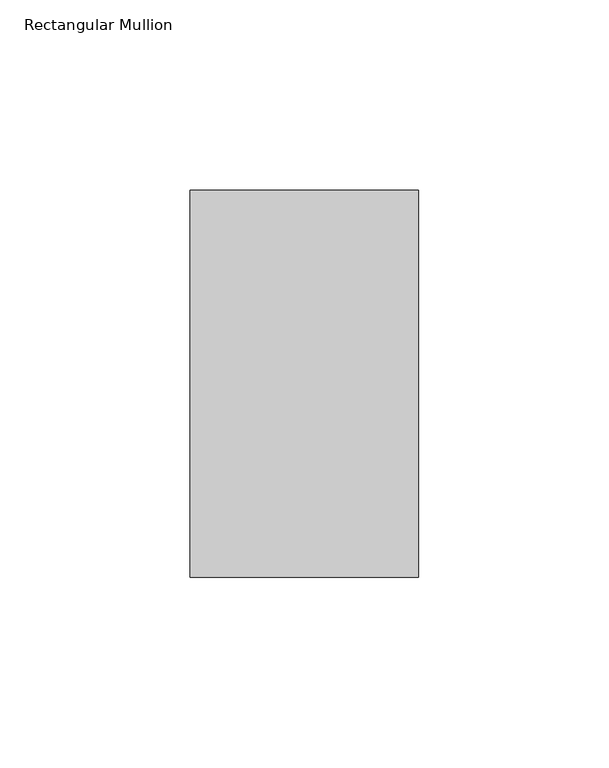
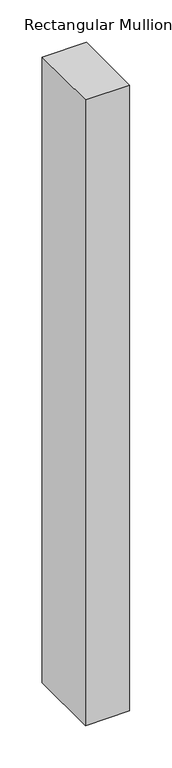
"""IFC4 building model written with IfcOpenShell, lengths in millimetres: member geometry, Rectangular Mullion."""

from ifc_helpers import new_model, si_unit, frame, origin, place, context, project, spatial, polyline, outline, extrude, source, transform, mapped, element, save


def rectangular_mullion_89bd5ef9(model_context):
    return source(origin(), model_context, "Body", "SweptSolid", [
        extrude(outline(polyline([(30.0, 50.8), (30.0, -50.8), (-30.0, -50.8), (-30.0, 50.8), (30.0, 50.8)])), frame((0.0, 0.0, -900.0), z_axis=(0.0, 0.0, 1.0), x_axis=(1.0, 0.0, 0.0)), (0.0, 0.0, 1.0), 900.0),
    ])


if __name__ == "__main__":
    model = new_model("IFC4")
    model_context = context("Model", 3, world=origin())
    ifc_project = project(units=[si_unit("LENGTHUNIT", "METRE", prefix="MILLI")], contexts=[model_context])
    site = spatial("IfcSite", under=ifc_project)
    building = spatial("IfcBuilding", under=site)
    placement = place(None, origin())
    rectangular_mullion_shape = rectangular_mullion_89bd5ef9(model_context)
    element("IfcMember", 1, ObjectType="Rectangular Mullion", at=placement, inside=building, context=model_context, shape_type="MappedRepresentation", body=[
        mapped(rectangular_mullion_shape, transform((0.0, 0.0, 0.0), x_axis=(1.0, 0.0, 0.0), y_axis=(0.0, 1.0, 0.0), z_axis=(0.0, 0.0, 1.0))),
    ])
    save(model, "model.ifc")
